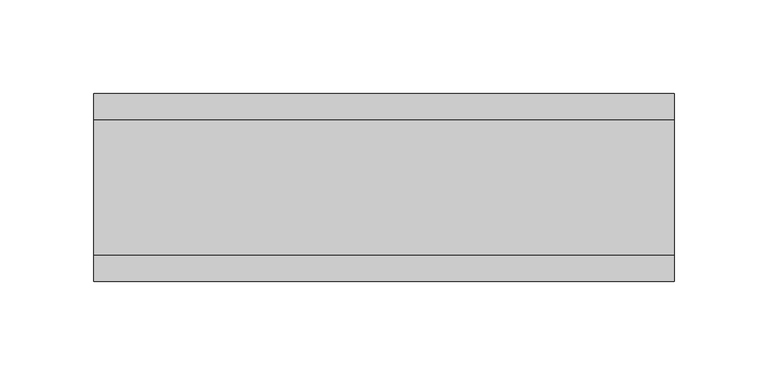
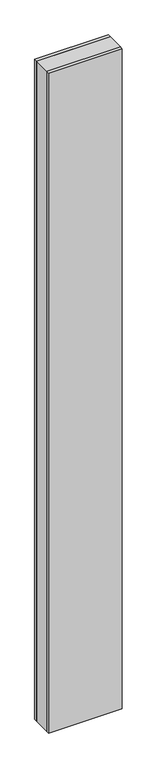
"""IFC4 building model written with IfcOpenShell, lengths in millimetres: plate geometry."""

import ifcopenshell
import ifcopenshell.guid

model = None  # the IFC model being written
_history = None  # IfcOwnerHistory: only IFC2X3 demands one
_inside = {}  # id of a spatial element -> (the spatial element, [elements in it])
_under = {}  # id of a project, library or spatial element -> (it, [spatial elements below it])
_declared = {}  # id of a project -> (the project, [libraries it declares])
_typed = {}  # id of a type object -> (the type object, [elements of that type])
_made_of = {}  # id of a material, layer set ... -> (it, [elements and type objects made of it])


def new_model(schema):
    """Start an empty IFC model of exactly this schema.

    Asked for "IFC4X3", IfcOpenShell would pick the latest addendum, in which some entities
    have other attributes; the version numbers below select the first issue.
    IFC2X3 requires an IfcOwnerHistory on every rooted entity: one is made here for all.
    """
    global model, _history
    if schema == "IFC4X3":
        model = ifcopenshell.file(schema_version=(4, 3, 0, 0))
    else:
        model = ifcopenshell.file(schema=schema)
    _inside.clear()
    _under.clear()
    _declared.clear()
    _typed.clear()
    _made_of.clear()
    _history = None
    if model.schema == "IFC2X3":
        org = make("IfcOrganization", Name="unknown")
        user = make(
            "IfcPersonAndOrganization",
            ThePerson=make("IfcPerson", FamilyName="unknown"),
            TheOrganization=org,
        )
        app = make(
            "IfcApplication",
            ApplicationDeveloper=org,
            Version="unknown",
            ApplicationFullName="unknown",
            ApplicationIdentifier="unknown",
        )
        _history = make(
            "IfcOwnerHistory",
            OwningUser=user,
            OwningApplication=app,
            ChangeAction="ADDED",
            CreationDate=0,
        )
    return model


def make(cls, **values):
    """One entity of the class cls with the attributes given. An attribute that is None is left unset."""
    return model.create_entity(
        cls, **{name: value for name, value in values.items() if value is not None}
    )


def rooted(cls, **values):
    """An entity with a GlobalId (a new one), such as an element, a storey or a relation."""
    return make(cls, GlobalId=ifcopenshell.guid.new(), OwnerHistory=_history, **values)


def si_unit(unit_type, name, prefix=None):
    """IfcSIUnit, for example si_unit("LENGTHUNIT", "METRE", prefix="MILLI")."""
    return make("IfcSIUnit", UnitType=unit_type, Prefix=prefix, Name=name)


def assignment(units):
    """IfcUnitAssignment: the units of a project."""
    return None if units is None else make("IfcUnitAssignment", Units=units)


def point(xyz):
    """IfcCartesianPoint."""
    return None if xyz is None else make("IfcCartesianPoint", Coordinates=xyz)


def direction(xyz):
    """IfcDirection."""
    return None if xyz is None else make("IfcDirection", DirectionRatios=xyz)


def frame(location, z_axis=None, x_axis=None):
    """IfcAxis2Placement3D, a coordinate frame: its origin and axes. An axis left out is left unset."""
    return make(
        "IfcAxis2Placement3D",
        Location=point(location),
        Axis=direction(z_axis),
        RefDirection=direction(x_axis),
    )


def origin():
    """The frame at (0, 0, 0) with its axes left unset."""
    return frame((0.0, 0.0, 0.0))


def origin_with_axes():
    """The frame at (0, 0, 0) with the z axis (0, 0, 1) and the x axis (1, 0, 0) written out."""
    return frame((0.0, 0.0, 0.0), z_axis=(0.0, 0.0, 1.0), x_axis=(1.0, 0.0, 0.0))


def place(relative_to, where):
    """IfcLocalPlacement: puts the frame where relative to a parent placement (None: the world)."""
    return make(
        "IfcLocalPlacement", PlacementRelTo=relative_to, RelativePlacement=where
    )


def context(
    kind, dimensions, precision=None, world=None, true_north=None, identifier=None
):
    """IfcGeometricRepresentationContext, for example the 3D "Model" context."""
    return make(
        "IfcGeometricRepresentationContext",
        ContextIdentifier=identifier,
        ContextType=kind,
        CoordinateSpaceDimension=dimensions,
        Precision=precision,
        WorldCoordinateSystem=world,
        TrueNorth=true_north,
    )


def project(units=None, contexts=None):
    """IfcProject with its units and contexts."""
    return rooted(
        "IfcProject",
        Name="project",
        RepresentationContexts=contexts,
        UnitsInContext=assignment(units),
    )


def spatial(cls, under=None, at=None, **own):
    """A site, building, storey or space (cls), placed at a placement, below another one or the project."""
    s = rooted(cls, ObjectPlacement=at, **own)
    if under is not None:
        _under.setdefault(under.id(), (under, []))[1].append(s)
    return s


def polyline(points):
    """IfcPolyline through the points."""
    return make("IfcPolyline", Points=[point(p) for p in points])


def outline(outer, holes=None, kind="AREA"):
    """IfcArbitraryClosedProfileDef: a profile drawn as a closed curve; with holes, ...WithVoids."""
    if holes is None:
        return make("IfcArbitraryClosedProfileDef", ProfileType=kind, OuterCurve=outer)
    return make(
        "IfcArbitraryProfileDefWithVoids",
        ProfileType=kind,
        OuterCurve=outer,
        InnerCurves=holes,
    )


def extrude(swept, where, along, depth):
    """IfcExtrudedAreaSolid: the profile swept, set in the frame where, extruded along a direction by depth."""
    return make(
        "IfcExtrudedAreaSolid",
        SweptArea=swept,
        Position=where,
        ExtrudedDirection=direction(along),
        Depth=depth,
    )


def shape(context_of_items, identifier, shape_type, items):
    """IfcShapeRepresentation: the items that make up one representation, for example the "Body"."""
    return make(
        "IfcShapeRepresentation",
        ContextOfItems=context_of_items,
        RepresentationIdentifier=identifier,
        RepresentationType=shape_type,
        Items=items,
    )


def source(mapping_origin, context_of_items, identifier, shape_type, items):
    """IfcRepresentationMap: a shape defined once, which mapped items show again and again."""
    return make(
        "IfcRepresentationMap",
        MappingOrigin=mapping_origin,
        MappedRepresentation=shape(context_of_items, identifier, shape_type, items),
    )


def transform(
    local_origin,
    x_axis=None,
    y_axis=None,
    z_axis=None,
    scale=None,
    scale2=None,
    scale3=None,
    uniform=True,
):
    """IfcCartesianTransformationOperator3D, or its non-uniform kind. x_axis, y_axis, z_axis: its Axis1, 2, 3."""
    if uniform:
        return make(
            "IfcCartesianTransformationOperator3D",
            Axis1=direction(x_axis),
            Axis2=direction(y_axis),
            LocalOrigin=point(local_origin),
            Scale=scale,
            Axis3=direction(z_axis),
        )
    return make(
        "IfcCartesianTransformationOperator3DnonUniform",
        Axis1=direction(x_axis),
        Axis2=direction(y_axis),
        LocalOrigin=point(local_origin),
        Scale=scale,
        Axis3=direction(z_axis),
        Scale2=scale2,
        Scale3=scale3,
    )


def mapped(mapping_source, mapping_target):
    """IfcMappedItem: shows the shape of a source again, moved by a transform."""
    return make(
        "IfcMappedItem", MappingSource=mapping_source, MappingTarget=mapping_target
    )


def made_of(thing, what):
    """Note that an element or type object is made of a material, layer set ...; save() writes the relation."""
    if what is not None:
        _made_of.setdefault(what.id(), (what, []))[1].append(thing)
    return thing


def element(
    cls,
    number,
    at=None,
    inside=None,
    cuts=None,
    type_object=None,
    material=None,
    context=None,
    identifier="Body",
    shape_type=None,
    held_by="IfcProductDefinitionShape",
    body=None,
    shapes=None,
    **own,
):
    """One element of the class cls, such as IfcWall. Its Tag is "e" and its number.

    at: its placement. inside: the storey or other place that contains it. cuts: it is an
    opening in that element (IfcRelVoidsElement). A single representation is given by context,
    identifier, shape_type and body (its items); several are given by shapes. held_by: the class
    of the entity that holds the representations. save() writes the other relations.
    """
    e = rooted(cls, Tag="e%d" % number, ObjectPlacement=at, **own)
    if body is not None:
        shapes = [shape(context, identifier, shape_type, body)]
    if shapes is not None:
        e.Representation = make(held_by, Representations=shapes)
    if inside is not None:
        _inside.setdefault(inside.id(), (inside, []))[1].append(e)
    if cuts is not None:
        rooted(
            "IfcRelVoidsElement", RelatingBuildingElement=cuts, RelatedOpeningElement=e
        )
    if type_object is not None:
        _typed.setdefault(type_object.id(), (type_object, []))[1].append(e)
    return made_of(e, material)


def aggregate(whole, parts):
    """IfcRelAggregates: a whole, such as a stair, and the parts it consists of."""
    return rooted("IfcRelAggregates", RelatingObject=whole, RelatedObjects=parts)


def save(model, path):
    """Write the relations noted so far, then the file.

    IfcRelAggregates (storeys below a building ...), IfcRelContainedInSpatialStructure (elements
    in a storey), IfcRelDefinesByType, IfcRelAssociatesMaterial and IfcRelDeclares: one each for
    every whole, place, type object, material and project.
    """
    for whole, parts in _under.values():
        aggregate(whole, parts)
    for where, things in _inside.values():
        rooted(
            "IfcRelContainedInSpatialStructure",
            RelatedElements=things,
            RelatingStructure=where,
        )
    for kind, things in _typed.values():
        rooted("IfcRelDefinesByType", RelatedObjects=things, RelatingType=kind)
    for what, things in _made_of.values():
        rooted("IfcRelAssociatesMaterial", RelatedObjects=things, RelatingMaterial=what)
    for by, libraries in _declared.values():
        rooted("IfcRelDeclares", RelatingContext=by, RelatedDefinitions=libraries)
    model.write(path)


def plate_5cd48371(model_context):
    return source(origin(), model_context, "Body", "SweptSolid", [
        extrude(outline(polyline([(154.6056907, 36.0), (154.6056907, -36.0), (-154.6056907, -36.0), (-154.6056907, 36.0), (154.6056907, 36.0)])), origin_with_axes(), (0.0, 0.0, 1.0), 2925.7),
        extrude(outline(polyline([(154.6056907, 50.0), (154.6056907, 36.0), (-154.6056907, 36.0), (-154.6056907, 50.0), (154.6056907, 50.0)])), origin_with_axes(), (0.0, 0.0, 1.0), 2925.7),
        extrude(outline(polyline([(154.6056907, -36.0), (154.6056907, -50.0), (-154.6056907, -50.0), (-154.6056907, -36.0), (154.6056907, -36.0)])), origin_with_axes(), (0.0, 0.0, 1.0), 2925.7),
    ])


if __name__ == "__main__":
    model = new_model("IFC4")
    model_context = context("Model", 3, world=origin())
    ifc_project = project(units=[si_unit("LENGTHUNIT", "METRE", prefix="MILLI")], contexts=[model_context])
    site = spatial("IfcSite", under=ifc_project)
    building = spatial("IfcBuilding", under=site)
    placement = place(None, origin())
    plate_shape = plate_5cd48371(model_context)
    element("IfcPlate", 1, at=placement, inside=building, context=model_context, shape_type="MappedRepresentation", body=[
        mapped(plate_shape, transform((0.0, 0.0, 0.0), x_axis=(1.0, 0.0, 0.0), y_axis=(0.0, 1.0, 0.0), z_axis=(0.0, 0.0, 1.0))),
    ])
    save(model, "model.ifc")
